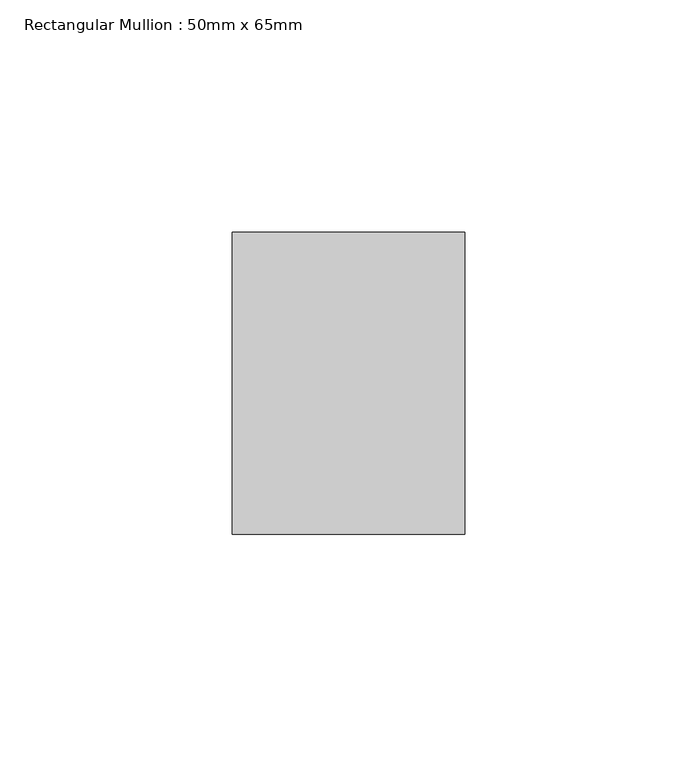
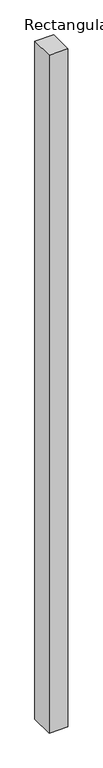
"""IFC4 building model written with IfcOpenShell, lengths in millimetres: member geometry, Rectangular Mullion : 50mm x 65mm."""

from ifc_helpers import new_model, si_unit, frame, origin, place, context, project, spatial, polyline, outline, extrude, source, transform, mapped, element, save


def rectangular_mullion_50mm_x_65mm_c7438632(model_context):
    return source(origin(), model_context, "Body", "SweptSolid", [
        extrude(outline(polyline([(25.0, 32.5), (25.0, -32.5), (-25.0, -32.5), (-25.0, 32.5), (25.0, 32.5)])), frame((0.0, 0.0, -1897.7011429), z_axis=(0.0, 0.0, 1.0), x_axis=(1.0, 0.0, 0.0)), (0.0, 0.0, 1.0), 1897.7011429),
    ])


if __name__ == "__main__":
    model = new_model("IFC4")
    model_context = context("Model", 3, world=origin())
    ifc_project = project(units=[si_unit("LENGTHUNIT", "METRE", prefix="MILLI")], contexts=[model_context])
    site = spatial("IfcSite", under=ifc_project)
    building = spatial("IfcBuilding", under=site)
    placement = place(None, origin())
    rectangular_mullion_50mm_x_65mm_shape = rectangular_mullion_50mm_x_65mm_c7438632(model_context)
    element("IfcMember", 1, ObjectType="Rectangular Mullion : 50mm x 65mm", at=placement, inside=building, context=model_context, shape_type="MappedRepresentation", body=[
        mapped(rectangular_mullion_50mm_x_65mm_shape, transform((0.0, 0.0, 0.0), x_axis=(1.0, 0.0, 0.0), y_axis=(0.0, 1.0, 0.0), z_axis=(0.0, 0.0, 1.0))),
    ])
    save(model, "model.ifc")
